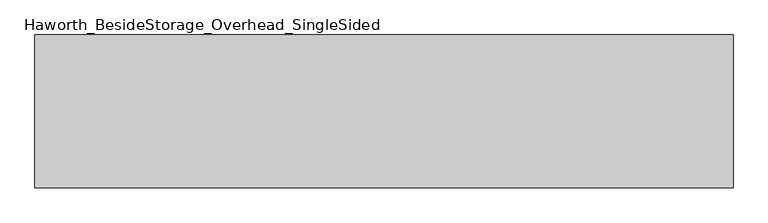
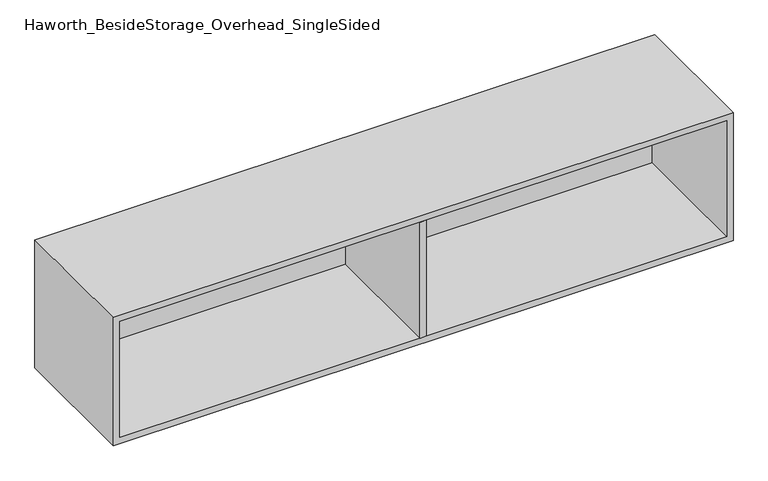
"""IFC4 building model written with IfcOpenShell, lengths in millimetres: furniture geometry, Haworth_BesideStorage_Overhead_SingleSided."""

from ifc_helpers import new_model, si_unit, frame, origin, place, context, project, spatial, polyline, outline, extrude, source, transform, mapped, element, save


def haworth_besidestorage_overhead_singlesided_ed520467(model_context):
    return source(origin(), model_context, "Body", "SweptSolid", [
        extrude(outline(polyline([(174.625, -400.05), (155.575, -400.05), (155.575, -19.05), (174.625, -19.05), (174.625, -400.05)])), frame((0.0, 0.0, 781.05), z_axis=(0.0, 0.0, 1.0), x_axis=(1.0, 0.0, 0.0)), (0.0, 0.0, 1.0), 361.95),
        extrude(outline(polyline([(1060.45, -19.05), (-730.25, -19.05), (-730.25, 0.0), (1060.45, 0.0), (1060.45, -19.05)])), frame((0.0, 0.0, 781.05), z_axis=(0.0, 0.0, 1.0), x_axis=(1.0, 0.0, 0.0)), (0.0, 0.0, 1.0), 361.95),
        extrude(outline(polyline([(762.0, 1079.5), (1162.05, 1079.5), (1162.05, -749.3), (762.0, -749.3), (762.0, 1079.5)]), holes=[polyline([(1143.0, 1060.45), (781.05, 1060.45), (781.05, -730.25), (1143.0, -730.25), (1143.0, 1060.45)])]), frame((0.0, -400.05, 0.0), z_axis=(0.0, 1.0, 0.0), x_axis=(0.0, 0.0, 1.0)), (0.0, 0.0, 1.0), 400.05),
    ])


if __name__ == "__main__":
    model = new_model("IFC4")
    model_context = context("Model", 3, world=origin())
    ifc_project = project(units=[si_unit("LENGTHUNIT", "METRE", prefix="MILLI")], contexts=[model_context])
    site = spatial("IfcSite", under=ifc_project)
    building = spatial("IfcBuilding", under=site)
    placement = place(None, origin())
    haworth_besidestorage_overhead_singlesided_shape = haworth_besidestorage_overhead_singlesided_ed520467(model_context)
    element("IfcFurniture", 1, ObjectType="Haworth_BesideStorage_Overhead_SingleSided", at=placement, inside=building, context=model_context, shape_type="MappedRepresentation", body=[
        mapped(haworth_besidestorage_overhead_singlesided_shape, transform((0.0, 0.0, 0.0), x_axis=(1.0, 0.0, 0.0), y_axis=(0.0, 1.0, 0.0), z_axis=(0.0, 0.0, 1.0))),
    ])
    save(model, "model.ifc")
